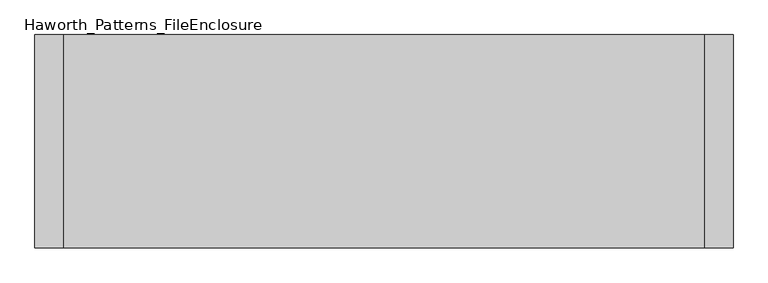
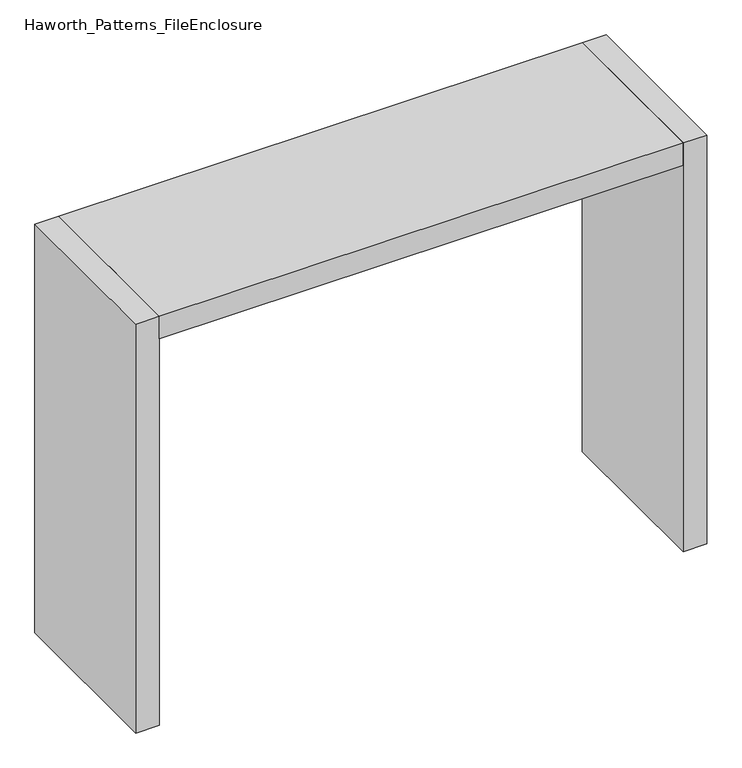
"""IFC4 building model written with IfcOpenShell, lengths in millimetres: furniture geometry, Haworth_Patterns_FileEnclosure."""

from ifc_helpers import new_model, si_unit, frame, origin, origin_with_axes, place, context, project, spatial, polyline, outline, extrude, source, transform, mapped, element, save


def haworth_patterns_fileenclosure_d0c8e255(model_context):
    return source(origin(), model_context, "Body", "SweptSolid", [
        extrude(outline(polyline([(838.2, 0.0), (838.2, -558.8), (-838.2, -558.8), (-838.2, 0.0), (838.2, 0.0)])), frame((0.0, 0.0, 1308.1), z_axis=(0.0, 0.0, 1.0), x_axis=(1.0, 0.0, 0.0)), (0.0, 0.0, 1.0), 76.2),
        extrude(outline(polyline([(838.2, 0.0), (914.4, 0.0), (914.4, -558.8), (838.2, -558.8), (838.2, 0.0)])), origin_with_axes(), (0.0, 0.0, 1.0), 1384.3),
        extrude(outline(polyline([(-838.2, 0.0), (-838.2, -558.8), (-914.4, -558.8), (-914.4, 0.0), (-838.2, 0.0)])), origin_with_axes(), (0.0, 0.0, 1.0), 1384.3),
    ])


if __name__ == "__main__":
    model = new_model("IFC4")
    model_context = context("Model", 3, world=origin())
    ifc_project = project(units=[si_unit("LENGTHUNIT", "METRE", prefix="MILLI")], contexts=[model_context])
    site = spatial("IfcSite", under=ifc_project)
    building = spatial("IfcBuilding", under=site)
    placement = place(None, origin())
    haworth_patterns_fileenclosure_shape = haworth_patterns_fileenclosure_d0c8e255(model_context)
    element("IfcFurniture", 1, ObjectType="Haworth_Patterns_FileEnclosure", at=placement, inside=building, context=model_context, shape_type="MappedRepresentation", body=[
        mapped(haworth_patterns_fileenclosure_shape, transform((0.0, 0.0, 0.0), x_axis=(1.0, 0.0, 0.0), y_axis=(0.0, 1.0, 0.0), z_axis=(0.0, 0.0, 1.0))),
    ])
    save(model, "model.ifc")
